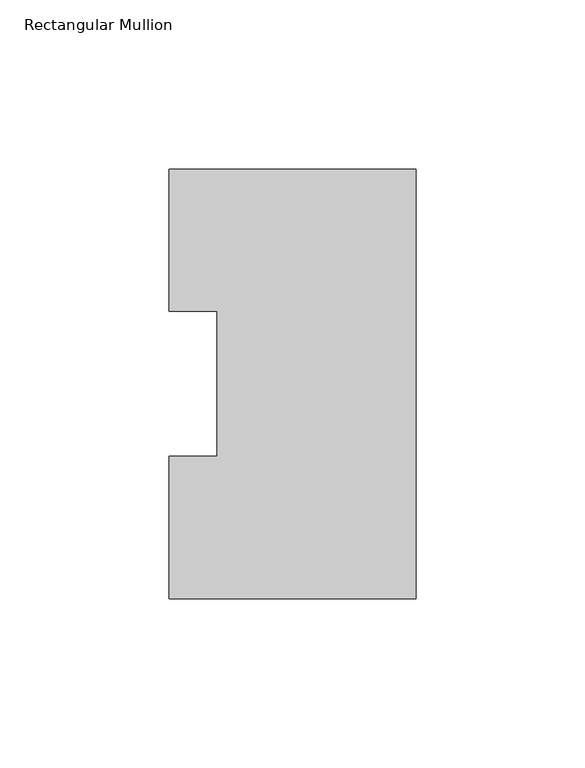
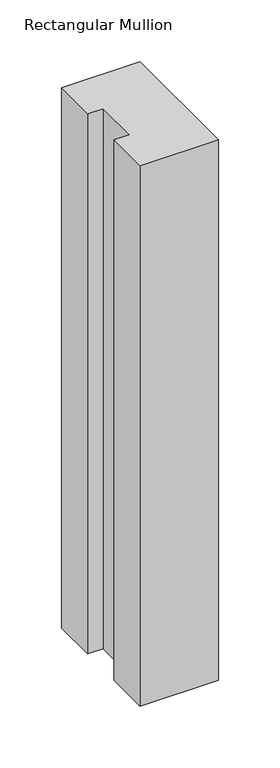
"""IFC4 building model written with IfcOpenShell, lengths in millimetres: member geometry, Rectangular Mullion."""

from ifc_helpers import new_model, si_unit, frame, origin, place, context, project, spatial, polyline, outline, extrude, source, transform, mapped, element, save


def rectangular_mullion_b75af74c(model_context):
    return source(origin(), model_context, "Body", "SweptSolid", [
        extrude(outline(polyline([(0.0, 127.00635), (0.0, 0.00635), (-73.025, 0.00635), (-73.025, 42.08145), (-58.7375, 42.08145), (-58.7375, 84.93125), (-73.025, 84.93125), (-73.025, 127.00635), (0.0, 127.00635)])), frame((0.0, 0.0, -533.4063826), z_axis=(0.0, 0.0, 1.0), x_axis=(1.0, 0.0, 0.0)), (0.0, 0.0, 1.0), 533.4063826),
    ])


if __name__ == "__main__":
    model = new_model("IFC4")
    model_context = context("Model", 3, world=origin())
    ifc_project = project(units=[si_unit("LENGTHUNIT", "METRE", prefix="MILLI")], contexts=[model_context])
    site = spatial("IfcSite", under=ifc_project)
    building = spatial("IfcBuilding", under=site)
    placement = place(None, origin())
    rectangular_mullion_shape = rectangular_mullion_b75af74c(model_context)
    element("IfcMember", 1, ObjectType="Rectangular Mullion", at=placement, inside=building, context=model_context, shape_type="MappedRepresentation", body=[
        mapped(rectangular_mullion_shape, transform((0.0, 0.0, 0.0), x_axis=(1.0, 0.0, 0.0), y_axis=(0.0, 1.0, 0.0), z_axis=(0.0, 0.0, 1.0))),
    ])
    save(model, "model.ifc")
